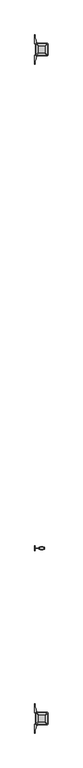
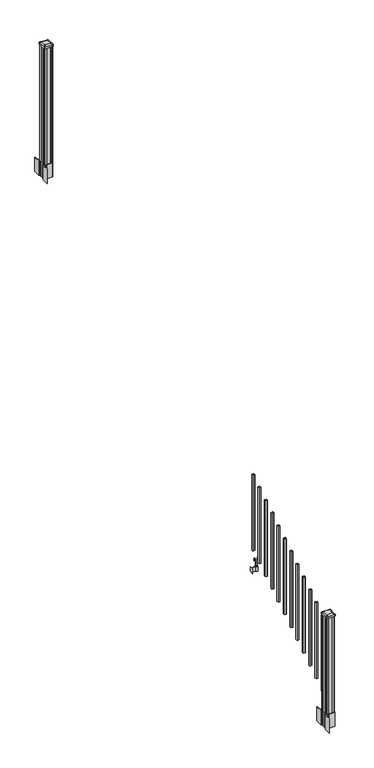
"""IFC4 building model written with IfcOpenShell, lengths in millimetres: railing geometry."""

from ifc_helpers import new_model, si_unit, point, frame, frame_2d, origin, place, context, project, spatial, polyline, circle_curve, trimmed, segment, composite_curve, outline, extrude, source, transform, mapped, element, save
from ifc_brep_helpers import plane_surface, extruded_surface, advanced_brep


def railing_e01a14a6(model_context):
    return source(origin(), model_context, "Body", "SolidModel", [
        extrude(outline(polyline([(8341.1626478, -128101.8918453), (8322.1126478, -128101.8918453), (8322.1126478, -128082.8418453), (8341.1626478, -128082.8418453), (8341.1626478, -128101.8918453)]), holes=[polyline([(8340.7657728, -128101.4949703), (8340.7657728, -128083.2387203), (8322.5095228, -128083.2387203), (8322.5095228, -128101.4949703), (8340.7657728, -128101.4949703)])]), frame((0.0, 0.0, 1089.6558781), z_axis=(0.0, 0.0, 1.0), x_axis=(1.0, 0.0, 0.0)), (0.0, 0.0, 1.0), 812.8041219),
        extrude(outline(polyline([(8320.969648, -128149.2628453), (8281.5996478, -128149.2628453), (8281.5996478, -128146.7228453), (8320.969648, -128146.7228453), (8320.969648, -128149.2628453)])), frame((0.0, 0.0, 902.49375), z_axis=(0.0, 0.0, 1.0), x_axis=(1.0, 0.0, 0.0)), (0.0, 0.0, 1.0), 50.8),
        extrude(outline(polyline([(8281.5996478, -128167.0428453), (8279.0596478, -128167.0428453), (8279.0596478, -128128.9428453), (8281.5996478, -128128.9428453), (8281.5996478, -128167.0428453)])), frame((0.0, 0.0, 902.49375), z_axis=(0.0, 0.0, 1.0), x_axis=(1.0, 0.0, 0.0)), (0.0, 0.0, 1.0), 50.8),
        extrude(outline(polyline([(8342.3056485, -128157.8988453), (8320.969648, -128157.8988453), (8320.969648, -128138.0868453), (8342.3056485, -128138.0868453), (8342.3056485, -128157.8988453)]), holes=[polyline([(8339.0036484, -128155.3588453), (8339.0036484, -128140.6268453), (8324.2716481, -128140.6268453), (8324.2716481, -128155.3588453), (8339.0036484, -128155.3588453)])]), frame((0.0, 0.0, 902.49375), z_axis=(0.0, 0.0, 1.0), x_axis=(1.0, 0.0, 0.0)), (0.0, 0.0, 1.0), 50.8),
        extrude(outline(polyline([(1042.0141479, 8313.4766489), (1041.2521469, 8312.7146479), (1014.7617523, 8312.7146479), (1013.9997513, 8313.4766489), (1013.9997513, 8323.509648), (1013.2377512, 8324.2716481), (949.7377512, 8324.2716481), (949.7377512, 8339.0036484), (1013.2377512, 8339.0036484), (1013.9997513, 8339.7656485), (1013.9997513, 8349.7986475), (1014.7617523, 8350.5606486), (1041.2521469, 8350.5606486), (1042.0141479, 8349.7986475), (1042.0141479, 8347.766648), (1040.9981453, 8346.7506482), (1030.5623581, 8346.7506482), (1029.5463573, 8347.766648), (1017.555751, 8347.766648), (1016.7937519, 8347.0046488), (1016.7937519, 8316.2706477), (1017.555751, 8315.5086485), (1029.5463573, 8315.5086485), (1030.5623581, 8316.5246483), (1040.9981453, 8316.5246483), (1042.0141479, 8315.5086485), (1042.0141479, 8313.4766489)]), holes=[polyline([(1013.9997513, 8335.0666481), (1013.2377512, 8335.8286482), (957.2307531, 8335.8286482), (956.4687531, 8335.0666481), (956.4687531, 8328.2086455), (957.2307503, 8327.4466483), (1013.2377512, 8327.4466483), (1013.9997513, 8328.2086483), (1013.9997513, 8335.0666481)])]), frame((0.0, -128155.3588453, 0.0), z_axis=(0.0, 1.0, 0.0), x_axis=(0.0, 0.0, 1.0)), (0.0, 0.0, 1.0), 14.732),
        extrude(outline(polyline([(8341.1626478, -128213.1438453), (8322.1126478, -128213.1438453), (8322.1126478, -128194.0938453), (8341.1626478, -128194.0938453), (8341.1626478, -128213.1438453)]), holes=[polyline([(8340.7657728, -128212.7469703), (8340.7657728, -128194.4907203), (8322.5095228, -128194.4907203), (8322.5095228, -128212.7469703), (8340.7657728, -128212.7469703)])]), frame((0.0, 0.0, 1020.1233781), z_axis=(0.0, 0.0, 1.0), x_axis=(1.0, 0.0, 0.0)), (0.0, 0.0, 1.0), 812.8041219),
        extrude(outline(polyline([(8341.1626478, -128324.3958453), (8322.1126478, -128324.3958453), (8322.1126478, -128305.3458453), (8341.1626478, -128305.3458453), (8341.1626478, -128324.3958453)]), holes=[polyline([(8340.7657728, -128323.9989703), (8340.7657728, -128305.7427203), (8322.5095228, -128305.7427203), (8322.5095228, -128323.9989703), (8340.7657728, -128323.9989703)])]), frame((0.0, 0.0, 950.5908781), z_axis=(0.0, 0.0, 1.0), x_axis=(1.0, 0.0, 0.0)), (0.0, 0.0, 1.0), 812.8041219),
        extrude(outline(polyline([(8341.1626478, -128435.6478453), (8322.1126478, -128435.6478453), (8322.1126478, -128416.5978453), (8341.1626478, -128416.5978453), (8341.1626478, -128435.6478453)]), holes=[polyline([(8340.7657728, -128435.2509703), (8340.7657728, -128416.9947203), (8322.5095228, -128416.9947203), (8322.5095228, -128435.2509703), (8340.7657728, -128435.2509703)])]), frame((0.0, 0.0, 881.0583781), z_axis=(0.0, 0.0, 1.0), x_axis=(1.0, 0.0, 0.0)), (0.0, 0.0, 1.0), 812.8041219),
        extrude(outline(polyline([(8341.1626478, -128546.8998453), (8322.1126478, -128546.8998453), (8322.1126478, -128527.8498453), (8341.1626478, -128527.8498453), (8341.1626478, -128546.8998453)]), holes=[polyline([(8340.7657728, -128546.5029703), (8340.7657728, -128528.2467203), (8322.5095228, -128528.2467203), (8322.5095228, -128546.5029703), (8340.7657728, -128546.5029703)])]), frame((0.0, 0.0, 811.5258781), z_axis=(0.0, 0.0, 1.0), x_axis=(1.0, 0.0, 0.0)), (0.0, 0.0, 1.0), 812.8041219),
        extrude(outline(polyline([(8341.1626478, -128658.1518453), (8322.1126478, -128658.1518453), (8322.1126478, -128639.1018453), (8341.1626478, -128639.1018453), (8341.1626478, -128658.1518453)]), holes=[polyline([(8340.7657728, -128657.7549703), (8340.7657728, -128639.4987203), (8322.5095228, -128639.4987203), (8322.5095228, -128657.7549703), (8340.7657728, -128657.7549703)])]), frame((0.0, 0.0, 741.9933781), z_axis=(0.0, 0.0, 1.0), x_axis=(1.0, 0.0, 0.0)), (0.0, 0.0, 1.0), 812.8041219),
        extrude(outline(polyline([(8341.1626478, -128769.4038453), (8322.1126478, -128769.4038453), (8322.1126478, -128750.3538453), (8341.1626478, -128750.3538453), (8341.1626478, -128769.4038453)]), holes=[polyline([(8340.7657728, -128769.0069703), (8340.7657728, -128750.7507203), (8322.5095228, -128750.7507203), (8322.5095228, -128769.0069703), (8340.7657728, -128769.0069703)])]), frame((0.0, 0.0, 672.4608781), z_axis=(0.0, 0.0, 1.0), x_axis=(1.0, 0.0, 0.0)), (0.0, 0.0, 1.0), 812.8041219),
        extrude(outline(polyline([(8341.1626478, -128880.6558453), (8322.1126478, -128880.6558453), (8322.1126478, -128861.6058453), (8341.1626478, -128861.6058453), (8341.1626478, -128880.6558453)]), holes=[polyline([(8340.7657728, -128880.2589703), (8340.7657728, -128862.0027203), (8322.5095228, -128862.0027203), (8322.5095228, -128880.2589703), (8340.7657728, -128880.2589703)])]), frame((0.0, 0.0, 602.9283781), z_axis=(0.0, 0.0, 1.0), x_axis=(1.0, 0.0, 0.0)), (0.0, 0.0, 1.0), 812.8041219),
        extrude(outline(polyline([(8341.1626478, -128991.9078453), (8322.1126478, -128991.9078453), (8322.1126478, -128972.8578453), (8341.1626478, -128972.8578453), (8341.1626478, -128991.9078453)]), holes=[polyline([(8340.7657728, -128991.5109703), (8340.7657728, -128973.2547203), (8322.5095228, -128973.2547203), (8322.5095228, -128991.5109703), (8340.7657728, -128991.5109703)])]), frame((0.0, 0.0, 533.3958781), z_axis=(0.0, 0.0, 1.0), x_axis=(1.0, 0.0, 0.0)), (0.0, 0.0, 1.0), 812.8041219),
        extrude(outline(polyline([(8341.1626478, -129103.1598453), (8322.1126478, -129103.1598453), (8322.1126478, -129084.1098453), (8341.1626478, -129084.1098453), (8341.1626478, -129103.1598453)]), holes=[polyline([(8340.7657728, -129102.7629703), (8340.7657728, -129084.5067203), (8322.5095228, -129084.5067203), (8322.5095228, -129102.7629703), (8340.7657728, -129102.7629703)])]), frame((0.0, 0.0, 463.8633781), z_axis=(0.0, 0.0, 1.0), x_axis=(1.0, 0.0, 0.0)), (0.0, 0.0, 1.0), 812.8041219),
        extrude(outline(polyline([(8341.1626478, -129214.4118453), (8322.1126478, -129214.4118453), (8322.1126478, -129195.3618453), (8341.1626478, -129195.3618453), (8341.1626478, -129214.4118453)]), holes=[polyline([(8340.7657728, -129214.0149703), (8340.7657728, -129195.7587203), (8322.5095228, -129195.7587203), (8322.5095228, -129214.0149703), (8340.7657728, -129214.0149703)])]), frame((0.0, 0.0, 394.3308781), z_axis=(0.0, 0.0, 1.0), x_axis=(1.0, 0.0, 0.0)), (0.0, 0.0, 1.0), 812.8041219),
        extrude(outline(polyline([(8341.1626478, -129325.6638453), (8322.1126478, -129325.6638453), (8322.1126478, -129306.6138453), (8341.1626478, -129306.6138453), (8341.1626478, -129325.6638453)]), holes=[polyline([(8340.7657728, -129325.2669703), (8340.7657728, -129307.0107203), (8322.5095228, -129307.0107203), (8322.5095228, -129325.2669703), (8340.7657728, -129325.2669703)])]), frame((0.0, 0.0, 324.7983781), z_axis=(0.0, 0.0, 1.0), x_axis=(1.0, 0.0, 0.0)), (0.0, 0.0, 1.0), 812.8041219),
        extrude(outline(polyline([(8291.9501478, -124491.5358453), (8290.3626478, -124489.9483453), (8290.3626478, -124470.3268453), (8291.9501478, -124469.5648453), (8291.9501478, -124430.9568453), (8290.3626478, -124430.1948453), (8290.3626478, -124410.5733453), (8291.9501478, -124408.9858453), (8311.5716478, -124408.9858453), (8312.3336478, -124410.5733453), (8350.9416478, -124410.5733453), (8351.7036478, -124408.9858453), (8371.3251478, -124408.9858453), (8372.9126478, -124410.5733453), (8372.9126478, -124430.1948453), (8371.3251478, -124430.9568453), (8371.3251478, -124469.5648453), (8372.9126478, -124470.3268453), (8372.9126478, -124489.9483453), (8371.3251478, -124491.5358453), (8351.7036478, -124491.5358453), (8350.9416478, -124489.9483453), (8312.3336478, -124489.9483453), (8311.5716478, -124491.5358453), (8291.9501478, -124491.5358453)])), frame((0.0, 0.0, 3048.0), z_axis=(0.0, 0.0, 1.0), x_axis=(1.0, 0.0, 0.0)), (0.0, 0.0, 1.0), 1247.740513),
        extrude(outline(composite_curve([segment(polyline([(8374.3731478, -124467.6469401), (8375.9606478, -124468.4089401), (8375.9606478, -124491.2108682), (8372.5876707, -124494.5838453), (8311.1279999, -124494.5838453), (8311.1279999, -124495.5045953), (8305.8104561, -124495.5045953), (8305.8104561, -124496.95885), (8300.7259264, -124496.95885), (8300.7259264, -124498.2428738), (8299.0586541, -124498.2428738)]), True, "CONTINUOUS"), segment(trimmed(circle_curve(frame_2d((8299.0586541, -124505.3023337)), 7.0594599), [point((8299.0586541, -124498.2428738))], [point((8292.2913912, -124503.292327))], True, "CARTESIAN"), True, "CONTINUOUS"), segment(polyline([(8292.2913912, -124503.292327), (8284.4171969, -124529.8030561)]), True, "CONTINUOUS"), segment(trimmed(circle_curve(frame_2d((8339.2017103, -124546.0751057)), 57.15), [point((8284.4171969, -124529.8030561))], [point((8282.0517103, -124546.0751057))], True, "CARTESIAN"), True, "CONTINUOUS"), segment(polyline([(8282.0517103, -124546.0751057), (8282.0517103, -124558.0838453), (8279.0517103, -124558.0838453), (8279.0517103, -124492.9963453), (8287.3146478, -124481.658054), (8287.3146478, -124468.4089401), (8288.9021478, -124467.6469401), (8288.9021478, -124432.8747504), (8287.3146478, -124432.1127504), (8287.3146478, -124418.8636366), (8279.0517103, -124407.5253453), (8279.0517103, -124342.4378453), (8282.0517103, -124342.4378453), (8282.0517103, -124354.4465848)]), True, "CONTINUOUS"), segment(trimmed(circle_curve(frame_2d((8339.2017103, -124354.4465848)), 57.15), [point((8282.0517103, -124354.4465848))], [point((8284.4171969, -124370.7186345))], True, "CARTESIAN"), True, "CONTINUOUS"), segment(polyline([(8284.4171969, -124370.7186345), (8292.2913912, -124397.2293636)]), True, "CONTINUOUS"), segment(trimmed(circle_curve(frame_2d((8299.0586541, -124395.2193569)), 7.0594599), [point((8292.2913912, -124397.2293636))], [point((8299.0586541, -124402.2788168))], True, "CARTESIAN"), True, "CONTINUOUS"), segment(polyline([(8299.0586541, -124402.2788168), (8300.7259264, -124402.2788168), (8300.7259264, -124403.5628406), (8305.8104561, -124403.5628406), (8305.8104561, -124405.0170953), (8311.1279999, -124405.0170953), (8311.1279999, -124405.9378453), (8372.5876707, -124405.9378453), (8375.9606478, -124409.3108224), (8375.9606478, -124432.1127504), (8374.3731478, -124432.8747504), (8374.3731478, -124467.6469401)]), True, "CONTINUOUS")], self_intersect=False), holes=[polyline([(8290.3626478, -124410.5733453), (8290.3626478, -124489.9483453), (8291.9501478, -124491.5358453), (8328.8744304, -124491.5358453), (8371.3251478, -124491.5358453), (8372.9126478, -124489.9483453), (8372.9126478, -124410.5733453), (8371.3251478, -124408.9858453), (8328.8744304, -124408.9858453), (8291.9501478, -124408.9858453), (8290.3626478, -124410.5733453)])]), frame((0.0, 0.0, 2895.6), z_axis=(0.0, 0.0, 1.0), x_axis=(1.0, 0.0, 0.0)), (0.0, 0.0, 1.0), 152.4),
        advanced_brep(
        [(8305.8407728, -124479.2327203, 4324.315513), (8357.4345228, -124479.2327203, 4324.315513), (8360.6095228, -124476.0577203, 4324.315513), (8360.6095228, -124424.4639703, 4324.315513), (8357.4345228, -124421.2889703, 4324.315513), (8305.8407728, -124421.2889703, 4324.315513), (8302.6657728, -124424.4639703, 4324.315513), (8302.6657728, -124476.0577203, 4324.315513), (8289.5688978, -124495.5045953, 4313.012513), (8286.3938978, -124492.3295953, 4313.012513), (8286.3938978, -124408.1920953, 4313.012513), (8289.5688978, -124405.0170953, 4313.012513), (8373.7063978, -124405.0170953, 4313.012513), (8376.8813978, -124408.1920953, 4313.012513), (8376.8813978, -124492.3295953, 4313.012513), (8373.7063978, -124495.5045953, 4313.012513)],
        [
            (0, 1),
            (1, 2, circle_curve(frame((8357.4345228, -124476.0577203, 4324.315513), z_axis=(0.0, 0.0, 1.0), x_axis=(0.0, 1.0, 0.0)), 3.175)),
            (2, 3),
            (3, 4, circle_curve(frame((8357.4345228, -124424.4639703, 4324.315513), z_axis=(0.0, 0.0, 1.0), x_axis=(0.0, 1.0, 0.0)), 3.175)),
            (4, 5),
            (5, 6, circle_curve(frame((8305.8407728, -124424.4639703, 4324.315513), z_axis=(0.0, 0.0, 1.0), x_axis=(0.0, 1.0, 0.0)), 3.175)),
            (6, 7),
            (7, 0, circle_curve(frame((8305.8407728, -124476.0577203, 4324.315513), z_axis=(0.0, 0.0, 1.0), x_axis=(0.0, 1.0, 0.0)), 3.175)),
            (8, 9, circle_curve(frame((8289.5688978, -124492.3295953, 4313.012513), z_axis=(0.0, 0.0, -1.0), x_axis=(0.0, 1.0, 0.0)), 3.175)),
            (9, 10),
            (10, 11, circle_curve(frame((8289.5688978, -124408.1920953, 4313.012513), z_axis=(0.0, 0.0, -1.0), x_axis=(0.0, 1.0, 0.0)), 3.175)),
            (11, 12),
            (12, 13, circle_curve(frame((8373.7063978, -124408.1920953, 4313.012513), z_axis=(0.0, 0.0, -1.0), x_axis=(0.0, 1.0, 0.0)), 3.175)),
            (13, 14),
            (14, 15, circle_curve(frame((8373.7063978, -124492.3295953, 4313.012513), z_axis=(0.0, 0.0, -1.0), x_axis=(0.0, 1.0, 0.0)), 3.175)),
            (15, 8),
            (8, 0),
            (7, 9),
            (6, 10),
            (5, 11),
            (4, 12),
            (3, 13),
            (2, 14),
            (1, 15),
        ],
        [
            plane_surface(frame((8331.6376478, -124450.2608453, 4324.315513), z_axis=(0.0, 0.0, 1.0), x_axis=(-1.0, 0.0, 0.0))),
            plane_surface(frame((8331.6376478, -124450.2608453, 4313.012513), z_axis=(0.0, 0.0, -1.0), x_axis=(-1.0, 0.0, 0.0))),
            extruded_surface(trimmed(circle_curve(frame((8305.8407728, -124476.0577203, 4324.315513), z_axis=(0.0, 0.0, -1.0), x_axis=(0.0, 1.0, 0.0)), 3.175), [point((8305.8407728, -124479.2327203, 4324.315513))], [point((8302.6657728, -124476.0577203, 4324.315513))], True, "CARTESIAN"), (-16.271875000000364, -16.27187500000582, -11.302999999999884), 25.637972638870036),
            plane_surface(frame((8286.3938978, -124450.2608453, 4313.012513), z_axis=(-0.5705009161540687, 0.0, 0.8212969649690472), x_axis=(0.0, 1.0, 0.0))),
            extruded_surface(trimmed(circle_curve(frame((8305.8407728, -124424.4639703, 4324.315513), z_axis=(0.0, 0.0, -1.0), x_axis=(0.0, 1.0, 0.0)), 3.175), [point((8302.6657728, -124424.4639703, 4324.315513))], [point((8305.8407728, -124421.2889703, 4324.315513))], True, "CARTESIAN"), (-16.271875000000364, 16.27187500000582, -11.302999999999884), 25.637972638870036),
            plane_surface(frame((8331.6376478, -124405.0170953, 4313.012513), z_axis=(0.0, 0.5705009161540291, 0.8212969649690747), x_axis=(1.0, 0.0, 0.0))),
            extruded_surface(trimmed(circle_curve(frame((8357.4345228, -124424.4639703, 4324.315513), z_axis=(0.0, 0.0, -1.0), x_axis=(0.0, 1.0, 0.0)), 3.175), [point((8357.4345228, -124421.2889703, 4324.315513))], [point((8360.6095228, -124424.4639703, 4324.315513))], True, "CARTESIAN"), (16.271875000000364, 16.27187500000582, -11.302999999999884), 25.637972638870036),
            plane_surface(frame((8376.8813978, -124450.2608453, 4313.012513), z_axis=(0.5705009161540233, 0.0, 0.8212969649690787), x_axis=(0.0, -1.0, 0.0))),
            extruded_surface(trimmed(circle_curve(frame((8357.4345228, -124476.0577203, 4324.315513), z_axis=(0.0, 0.0, -1.0), x_axis=(0.0, 1.0, 0.0)), 3.175), [point((8360.6095228, -124476.0577203, 4324.315513))], [point((8357.4345228, -124479.2327203, 4324.315513))], True, "CARTESIAN"), (16.271875000000364, -16.27187500000582, -11.302999999999884), 25.637972638870036),
            plane_surface(frame((8331.6376478, -124495.5045953, 4313.012513), z_axis=(0.0, -0.570500916154034, 0.8212969649690713), x_axis=(-1.0, 0.0, 0.0))),
        ],
        [
            (0, [[1, 2, 3, 4, 5, 6, 7, 8]]),
            (1, [[9, 10, 11, 12, 13, 14, 15, 16]]),
            (2, [[17, -8, 18, -9]]),
            (3, [[-18, -7, 19, -10]]),
            (4, [[-19, -6, 20, -11]]),
            (5, [[-20, -5, 21, -12]]),
            (6, [[-21, -4, 22, -13]]),
            (7, [[-22, -3, 23, -14]]),
            (8, [[-23, -2, 24, -15]]),
            (9, [[-24, -1, -17, -16]]),
        ],
    ),
        extrude(outline(composite_curve([segment(trimmed(circle_curve(frame_2d((8289.5688978, -124492.3295953)), 3.175), [point((8289.5688978, -124495.5045953))], [point((8286.3938978, -124492.3295953))], False, "CARTESIAN"), True, "CONTINUOUS"), segment(polyline([(8286.3938978, -124492.3295953), (8286.3938978, -124408.1920953)]), True, "CONTINUOUS"), segment(trimmed(circle_curve(frame_2d((8289.5688978, -124408.1920953)), 3.175), [point((8286.3938978, -124408.1920953))], [point((8289.5688978, -124405.0170953))], False, "CARTESIAN"), True, "CONTINUOUS"), segment(polyline([(8289.5688978, -124405.0170953), (8373.7063978, -124405.0170953)]), True, "CONTINUOUS"), segment(trimmed(circle_curve(frame_2d((8373.7063978, -124408.1920953)), 3.175), [point((8373.7063978, -124405.0170953))], [point((8376.8813978, -124408.1920953))], False, "CARTESIAN"), True, "CONTINUOUS"), segment(polyline([(8376.8813978, -124408.1920953), (8376.8813978, -124492.3295953)]), True, "CONTINUOUS"), segment(trimmed(circle_curve(frame_2d((8373.7063978, -124492.3295953)), 3.175), [point((8376.8813978, -124492.3295953))], [point((8373.7063978, -124495.5045953))], False, "CARTESIAN"), True, "CONTINUOUS"), segment(polyline([(8373.7063978, -124495.5045953), (8289.5688978, -124495.5045953)]), True, "CONTINUOUS")], self_intersect=False)), frame((0.0, 0.0, 4295.740513), z_axis=(0.0, 0.0, 1.0), x_axis=(1.0, 0.0, 0.0)), (0.0, 0.0, 1.0), 17.272),
        extrude(outline(composite_curve([segment(polyline([(8374.3731478, -129427.2509401), (8375.9606478, -129428.0129401), (8375.9606478, -129450.8148682), (8372.5876707, -129454.1878453), (8311.1279999, -129454.1878453), (8311.1279999, -129455.1085953), (8305.8104561, -129455.1085953), (8305.8104561, -129456.56285), (8300.7259264, -129456.56285), (8300.7259264, -129457.8468738), (8299.0586541, -129457.8468738)]), True, "CONTINUOUS"), segment(trimmed(circle_curve(frame_2d((8299.0586541, -129464.9063337)), 7.0594599), [point((8299.0586541, -129457.8468738))], [point((8292.2913912, -129462.896327))], True, "CARTESIAN"), True, "CONTINUOUS"), segment(polyline([(8292.2913912, -129462.896327), (8284.4171969, -129489.4070561)]), True, "CONTINUOUS"), segment(trimmed(circle_curve(frame_2d((8339.2017103, -129505.6791057)), 57.15), [point((8284.4171969, -129489.4070561))], [point((8282.0517103, -129505.6791057))], True, "CARTESIAN"), True, "CONTINUOUS"), segment(polyline([(8282.0517103, -129505.6791057), (8282.0517103, -129517.6878453), (8279.0517103, -129517.6878453), (8279.0517103, -129452.6003453), (8287.3146478, -129441.262054), (8287.3146478, -129428.0129401), (8288.9021478, -129427.2509401), (8288.9021478, -129392.4787504), (8287.3146478, -129391.7167504), (8287.3146478, -129378.4676366), (8279.0517103, -129367.1293453), (8279.0517103, -129302.0418453), (8282.0517103, -129302.0418453), (8282.0517103, -129314.0505848)]), True, "CONTINUOUS"), segment(trimmed(circle_curve(frame_2d((8339.2017103, -129314.0505848)), 57.15), [point((8282.0517103, -129314.0505848))], [point((8284.4171969, -129330.3226345))], True, "CARTESIAN"), True, "CONTINUOUS"), segment(polyline([(8284.4171969, -129330.3226345), (8292.2913912, -129356.8333636)]), True, "CONTINUOUS"), segment(trimmed(circle_curve(frame_2d((8299.0586541, -129354.8233569)), 7.0594599), [point((8292.2913912, -129356.8333636))], [point((8299.0586541, -129361.8828168))], True, "CARTESIAN"), True, "CONTINUOUS"), segment(polyline([(8299.0586541, -129361.8828168), (8300.7259264, -129361.8828168), (8300.7259264, -129363.1668406), (8305.8104561, -129363.1668406), (8305.8104561, -129364.6210953), (8311.1279999, -129364.6210953), (8311.1279999, -129365.5418453), (8372.5876707, -129365.5418453), (8375.9606478, -129368.9148224), (8375.9606478, -129391.7167504), (8374.3731478, -129392.4787504), (8374.3731478, -129427.2509401)]), True, "CONTINUOUS")], self_intersect=False), holes=[polyline([(8290.3626478, -129370.1773453), (8290.3626478, -129449.5523453), (8291.9501478, -129451.1398453), (8328.8744304, -129451.1398453), (8371.3251478, -129451.1398453), (8372.9126478, -129449.5523453), (8372.9126478, -129370.1773453), (8371.3251478, -129368.5898453), (8328.8744304, -129368.5898453), (8291.9501478, -129368.5898453), (8290.3626478, -129370.1773453)])]), frame((0.0, 0.0, 12.22375), z_axis=(0.0, 0.0, 1.0), x_axis=(1.0, 0.0, 0.0)), (0.0, 0.0, 1.0), 152.4),
        advanced_brep(
        [(8305.8407728, -129438.8367203, 1224.563013), (8357.4345228, -129438.8367203, 1224.563013), (8360.6095228, -129435.6617203, 1224.563013), (8360.6095228, -129384.0679703, 1224.563013), (8357.4345228, -129380.8929703, 1224.563013), (8305.8407728, -129380.8929703, 1224.563013), (8302.6657728, -129384.0679703, 1224.563013), (8302.6657728, -129435.6617203, 1224.563013), (8289.5688978, -129455.1085953, 1213.260013), (8286.3938978, -129451.9335953, 1213.260013), (8286.3938978, -129367.7960953, 1213.260013), (8289.5688978, -129364.6210953, 1213.260013), (8373.7063978, -129364.6210953, 1213.260013), (8376.8813978, -129367.7960953, 1213.260013), (8376.8813978, -129451.9335953, 1213.260013), (8373.7063978, -129455.1085953, 1213.260013)],
        [
            (0, 1),
            (1, 2, circle_curve(frame((8357.4345228, -129435.6617203, 1224.563013), z_axis=(0.0, 0.0, 1.0), x_axis=(0.0, 1.0, 0.0)), 3.175)),
            (2, 3),
            (3, 4, circle_curve(frame((8357.4345228, -129384.0679703, 1224.563013), z_axis=(0.0, 0.0, 1.0), x_axis=(0.0, 1.0, 0.0)), 3.175)),
            (4, 5),
            (5, 6, circle_curve(frame((8305.8407728, -129384.0679703, 1224.563013), z_axis=(0.0, 0.0, 1.0), x_axis=(0.0, 1.0, 0.0)), 3.175)),
            (6, 7),
            (7, 0, circle_curve(frame((8305.8407728, -129435.6617203, 1224.563013), z_axis=(0.0, 0.0, 1.0), x_axis=(0.0, 1.0, 0.0)), 3.175)),
            (8, 9, circle_curve(frame((8289.5688978, -129451.9335953, 1213.260013), z_axis=(0.0, 0.0, -1.0), x_axis=(0.0, 1.0, 0.0)), 3.175)),
            (9, 10),
            (10, 11, circle_curve(frame((8289.5688978, -129367.7960953, 1213.260013), z_axis=(0.0, 0.0, -1.0), x_axis=(0.0, 1.0, 0.0)), 3.175)),
            (11, 12),
            (12, 13, circle_curve(frame((8373.7063978, -129367.7960953, 1213.260013), z_axis=(0.0, 0.0, -1.0), x_axis=(0.0, 1.0, 0.0)), 3.175)),
            (13, 14),
            (14, 15, circle_curve(frame((8373.7063978, -129451.9335953, 1213.260013), z_axis=(0.0, 0.0, -1.0), x_axis=(0.0, 1.0, 0.0)), 3.175)),
            (15, 8),
            (8, 0),
            (7, 9),
            (6, 10),
            (5, 11),
            (4, 12),
            (3, 13),
            (2, 14),
            (1, 15),
        ],
        [
            plane_surface(frame((8331.6376478, -129409.8648453, 1224.563013), z_axis=(0.0, 0.0, 1.0), x_axis=(-1.0, 0.0, 0.0))),
            plane_surface(frame((8331.6376478, -129409.8648453, 1213.260013), z_axis=(0.0, 0.0, -1.0), x_axis=(-1.0, 0.0, 0.0))),
            extruded_surface(trimmed(circle_curve(frame((8305.8407728, -129435.6617203, 1224.563013), z_axis=(0.0, 0.0, -1.0), x_axis=(0.0, 1.0, 0.0)), 3.175), [point((8305.8407728, -129438.8367203, 1224.563013))], [point((8302.6657728, -129435.6617203, 1224.563013))], True, "CARTESIAN"), (-16.271875000000364, -16.27187499999127, -11.302999999999884), 25.637972638860802),
            plane_surface(frame((8286.3938978, -129409.8648453, 1213.260013), z_axis=(-0.5705009161540778, 0.0, 0.8212969649690408), x_axis=(0.0, 1.0, 0.0))),
            extruded_surface(trimmed(circle_curve(frame((8305.8407728, -129384.0679703, 1224.563013), z_axis=(0.0, 0.0, -1.0), x_axis=(0.0, 1.0, 0.0)), 3.175), [point((8302.6657728, -129384.0679703, 1224.563013))], [point((8305.8407728, -129380.8929703, 1224.563013))], True, "CARTESIAN"), (-16.271875000000364, 16.27187500000582, -11.302999999999884), 25.637972638870036),
            plane_surface(frame((8331.6376478, -129364.6210953, 1213.260013), z_axis=(0.0, 0.5705009161540291, 0.8212969649690747), x_axis=(1.0, 0.0, 0.0))),
            extruded_surface(trimmed(circle_curve(frame((8357.4345228, -129384.0679703, 1224.563013), z_axis=(0.0, 0.0, -1.0), x_axis=(0.0, 1.0, 0.0)), 3.175), [point((8357.4345228, -129380.8929703, 1224.563013))], [point((8360.6095228, -129384.0679703, 1224.563013))], True, "CARTESIAN"), (16.271875000000364, 16.27187500000582, -11.302999999999884), 25.637972638870036),
            plane_surface(frame((8376.8813978, -129409.8648453, 1213.260013), z_axis=(0.5705009161540142, 0.0, 0.8212969649690851), x_axis=(0.0, -1.0, 0.0))),
            extruded_surface(trimmed(circle_curve(frame((8357.4345228, -129435.6617203, 1224.563013), z_axis=(0.0, 0.0, -1.0), x_axis=(0.0, 1.0, 0.0)), 3.175), [point((8360.6095228, -129435.6617203, 1224.563013))], [point((8357.4345228, -129438.8367203, 1224.563013))], True, "CARTESIAN"), (16.271875000000364, -16.27187499999127, -11.302999999999884), 25.637972638860802),
            plane_surface(frame((8331.6376478, -129455.1085953, 1213.260013), z_axis=(0.0, -0.570500916154034, 0.8212969649690713), x_axis=(-1.0, 0.0, 0.0))),
        ],
        [
            (0, [[1, 2, 3, 4, 5, 6, 7, 8]]),
            (1, [[9, 10, 11, 12, 13, 14, 15, 16]]),
            (2, [[17, -8, 18, -9]]),
            (3, [[-18, -7, 19, -10]]),
            (4, [[-19, -6, 20, -11]]),
            (5, [[-20, -5, 21, -12]]),
            (6, [[-21, -4, 22, -13]]),
            (7, [[-22, -3, 23, -14]]),
            (8, [[-23, -2, 24, -15]]),
            (9, [[-24, -1, -17, -16]]),
        ],
    ),
        extrude(outline(composite_curve([segment(trimmed(circle_curve(frame_2d((8289.5688978, -129451.9335953)), 3.175), [point((8289.5688978, -129455.1085953))], [point((8286.3938978, -129451.9335953))], False, "CARTESIAN"), True, "CONTINUOUS"), segment(polyline([(8286.3938978, -129451.9335953), (8286.3938978, -129367.7960953)]), True, "CONTINUOUS"), segment(trimmed(circle_curve(frame_2d((8289.5688978, -129367.7960953)), 3.175), [point((8286.3938978, -129367.7960953))], [point((8289.5688978, -129364.6210953))], False, "CARTESIAN"), True, "CONTINUOUS"), segment(polyline([(8289.5688978, -129364.6210953), (8373.7063978, -129364.6210953)]), True, "CONTINUOUS"), segment(trimmed(circle_curve(frame_2d((8373.7063978, -129367.7960953)), 3.175), [point((8373.7063978, -129364.6210953))], [point((8376.8813978, -129367.7960953))], False, "CARTESIAN"), True, "CONTINUOUS"), segment(polyline([(8376.8813978, -129367.7960953), (8376.8813978, -129451.9335953)]), True, "CONTINUOUS"), segment(trimmed(circle_curve(frame_2d((8373.7063978, -129451.9335953)), 3.175), [point((8376.8813978, -129451.9335953))], [point((8373.7063978, -129455.1085953))], False, "CARTESIAN"), True, "CONTINUOUS"), segment(polyline([(8373.7063978, -129455.1085953), (8289.5688978, -129455.1085953)]), True, "CONTINUOUS")], self_intersect=False)), frame((0.0, 0.0, 1195.988013), z_axis=(0.0, 0.0, 1.0), x_axis=(1.0, 0.0, 0.0)), (0.0, 0.0, 1.0), 17.272),
        extrude(outline(polyline([(8291.9501478, -129451.1398453), (8290.3626478, -129449.5523453), (8290.3626478, -129429.9308453), (8291.9501478, -129429.1688453), (8291.9501478, -129390.5608453), (8290.3626478, -129389.7988453), (8290.3626478, -129370.1773453), (8291.9501478, -129368.5898453), (8311.5716478, -129368.5898453), (8312.3336478, -129370.1773453), (8350.9416478, -129370.1773453), (8351.7036478, -129368.5898453), (8371.3251478, -129368.5898453), (8372.9126478, -129370.1773453), (8372.9126478, -129389.7988453), (8371.3251478, -129390.5608453), (8371.3251478, -129429.1688453), (8372.9126478, -129429.9308453), (8372.9126478, -129449.5523453), (8371.3251478, -129451.1398453), (8351.7036478, -129451.1398453), (8350.9416478, -129449.5523453), (8312.3336478, -129449.5523453), (8311.5716478, -129451.1398453), (8291.9501478, -129451.1398453)])), frame((0.0, 0.0, 164.62375), z_axis=(0.0, 0.0, 1.0), x_axis=(1.0, 0.0, 0.0)), (0.0, 0.0, 1.0), 1031.364263),
    ])


if __name__ == "__main__":
    model = new_model("IFC4")
    model_context = context("Model", 3, world=origin())
    ifc_project = project(units=[si_unit("LENGTHUNIT", "METRE", prefix="MILLI")], contexts=[model_context])
    site = spatial("IfcSite", under=ifc_project)
    building = spatial("IfcBuilding", under=site)
    placement = place(None, origin())
    railing_shape = railing_e01a14a6(model_context)
    element("IfcRailing", 1, at=placement, inside=building, context=model_context, shape_type="MappedRepresentation", body=[
        mapped(railing_shape, transform((0.0, 0.0, 0.0), x_axis=(1.0, 0.0, 0.0), y_axis=(0.0, 1.0, 0.0), z_axis=(0.0, 0.0, 1.0))),
    ])
    save(model, "model.ifc")
